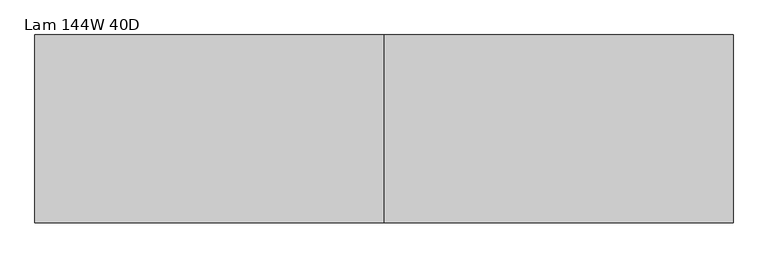
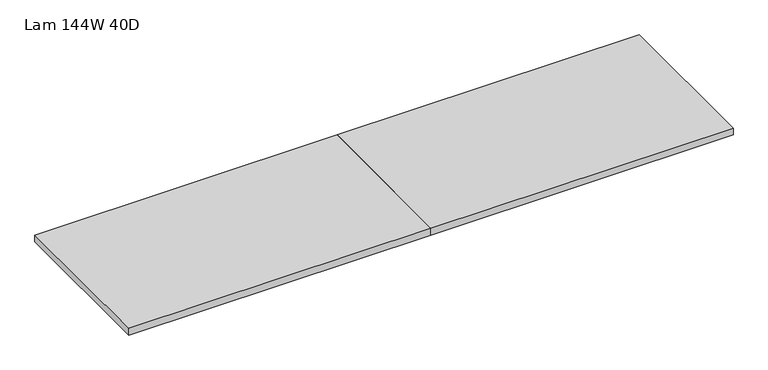
"""IFC4 building model written with IfcOpenShell, lengths in millimetres: furniture geometry, Lam 144W 40D."""

from ifc_helpers import new_model, si_unit, frame, origin, place, context, project, spatial, polyline, outline, extrude, source, transform, mapped, element, save


def lam_144w_40d_dbd2e152(model_context):
    return source(origin(), model_context, "Body", "SweptSolid", [
        extrude(outline(polyline([(3774.44, 508.0), (3774.44, -508.0), (1887.22, -508.0), (1887.22, 508.0), (3774.44, 508.0)])), frame((0.0, 0.0, 984.25), z_axis=(0.0, 0.0, 1.0), x_axis=(1.0, 0.0, 0.0)), (0.0, 0.0, 1.0), 44.704),
        extrude(outline(polyline([(1887.22, 508.0), (1887.22, -508.0), (0.0, -508.0), (0.0, 508.0), (1887.22, 508.0)])), frame((0.0, 0.0, 984.25), z_axis=(0.0, 0.0, 1.0), x_axis=(1.0, 0.0, 0.0)), (0.0, 0.0, 1.0), 44.704),
    ])


if __name__ == "__main__":
    model = new_model("IFC4")
    model_context = context("Model", 3, world=origin())
    ifc_project = project(units=[si_unit("LENGTHUNIT", "METRE", prefix="MILLI")], contexts=[model_context])
    site = spatial("IfcSite", under=ifc_project)
    building = spatial("IfcBuilding", under=site)
    placement = place(None, origin())
    lam_144w_40d_shape = lam_144w_40d_dbd2e152(model_context)
    element("IfcFurniture", 1, ObjectType="Lam 144W 40D", at=placement, inside=building, context=model_context, shape_type="MappedRepresentation", body=[
        mapped(lam_144w_40d_shape, transform((0.0, 0.0, 0.0), x_axis=(1.0, 0.0, 0.0), y_axis=(0.0, 1.0, 0.0), z_axis=(0.0, 0.0, 1.0))),
    ])
    save(model, "model.ifc")
